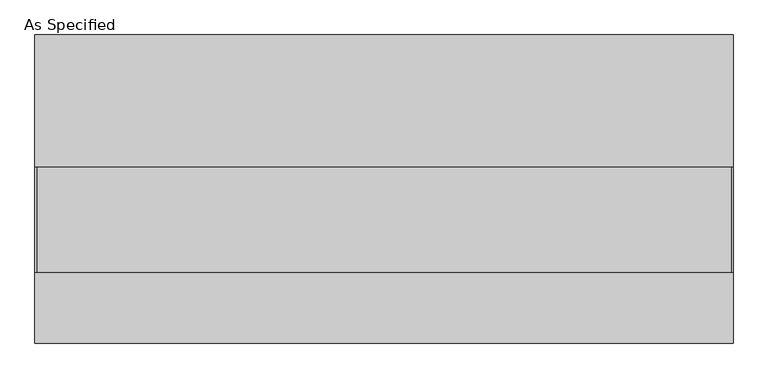
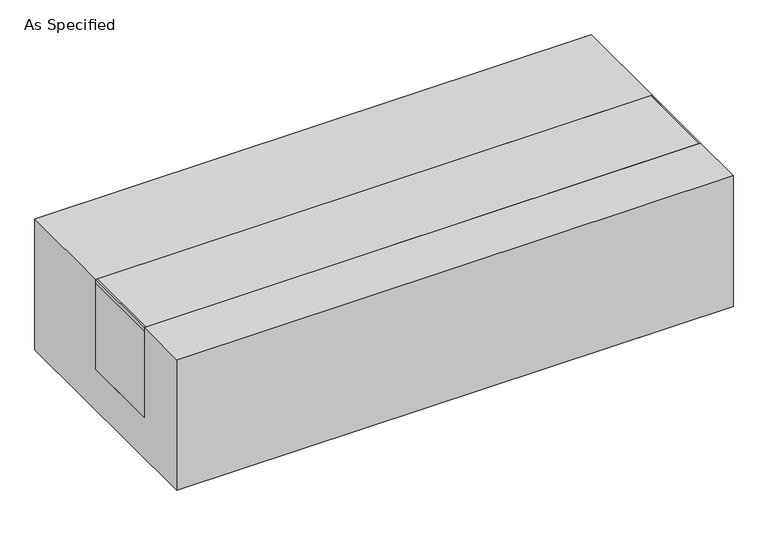
"""IFC4 building model written with IfcOpenShell, lengths in millimetres: proxy geometry, As Specified."""

from ifc_helpers import new_model, si_unit, point, frame, frame_2d, origin, place, context, project, spatial, polyline, circle_curve, trimmed, segment, composite_curve, outline, extrude, source, transform, mapped, element, save


def as_specified_3eb85b8b(model_context):
    return source(origin(), model_context, "Body", "SweptSolid", [
        extrude(outline(composite_curve([segment(trimmed(circle_curve(frame_2d((694.4125, -397.675)), 10.5), [point((694.4125, -408.175))], [point((694.4125, -387.175))], False, "CARTESIAN"), True, "CONTINUOUS"), segment(trimmed(circle_curve(frame_2d((694.4125, -397.675)), 10.5), [point((694.4125, -387.175))], [point((694.4125, -408.175))], False, "CARTESIAN"), True, "CONTINUOUS")], self_intersect=False)), frame((0.0, 0.0, -562.225), z_axis=(0.0, 0.0, 1.0), x_axis=(1.0, 0.0, 0.0)), (0.0, 0.0, 1.0), 32.0),
        extrude(outline(polyline([(-1008.85625, -241.3), (-1014.4125, -241.3), (-1014.4125, 63.5), (-1008.85625, 63.5), (-1008.85625, -241.3)])), frame((0.0, 0.0, -39.6875), z_axis=(0.0, 0.0, 1.0), x_axis=(1.0, 0.0, 0.0)), (0.0, 0.0, 1.0), 14.2875),
        extrude(outline(polyline([(1010.44375, 63.5), (1014.4125, 63.5), (1014.4125, -241.3), (1010.44375, -241.3), (1010.44375, 63.5)])), frame((0.0, 0.0, -39.6875), z_axis=(0.0, 0.0, 1.0), x_axis=(1.0, 0.0, 0.0)), (0.0, 0.0, 1.0), 14.2875),
        extrude(outline(polyline([(1014.4125, 63.5), (1014.4125, -241.3), (-1014.4125, -241.3), (-1014.4125, 63.5), (1014.4125, 63.5)])), frame((0.0, 0.0, -373.0625), z_axis=(0.0, 0.0, 1.0), x_axis=(1.0, 0.0, 0.0)), (0.0, 0.0, 1.0), 347.6625),
        extrude(outline(polyline([(447.675, -25.4), (447.675, -530.225), (-447.675, -530.225), (-447.675, -25.4), (-241.3, -25.4), (-241.3, -373.0625), (63.5, -373.0625), (63.5, -25.4), (447.675, -25.4)])), frame((-1014.4125, 0.0, 0.0), z_axis=(1.0, 0.0, 0.0), x_axis=(0.0, 1.0, 0.0)), (0.0, 0.0, 1.0), 2028.825),
    ])


if __name__ == "__main__":
    model = new_model("IFC4")
    model_context = context("Model", 3, world=origin())
    ifc_project = project(units=[si_unit("LENGTHUNIT", "METRE", prefix="MILLI")], contexts=[model_context])
    site = spatial("IfcSite", under=ifc_project)
    building = spatial("IfcBuilding", under=site)
    placement = place(None, origin())
    as_specified_shape = as_specified_3eb85b8b(model_context)
    element("IfcBuildingElementProxy", 1, Name="As Specified", ObjectType="As Specified", at=placement, inside=building, context=model_context, shape_type="MappedRepresentation", body=[
        mapped(as_specified_shape, transform((0.0, 0.0, 0.0), x_axis=(1.0, 0.0, 0.0), y_axis=(0.0, 1.0, 0.0), z_axis=(0.0, 0.0, 1.0))),
    ])
    save(model, "model.ifc")
